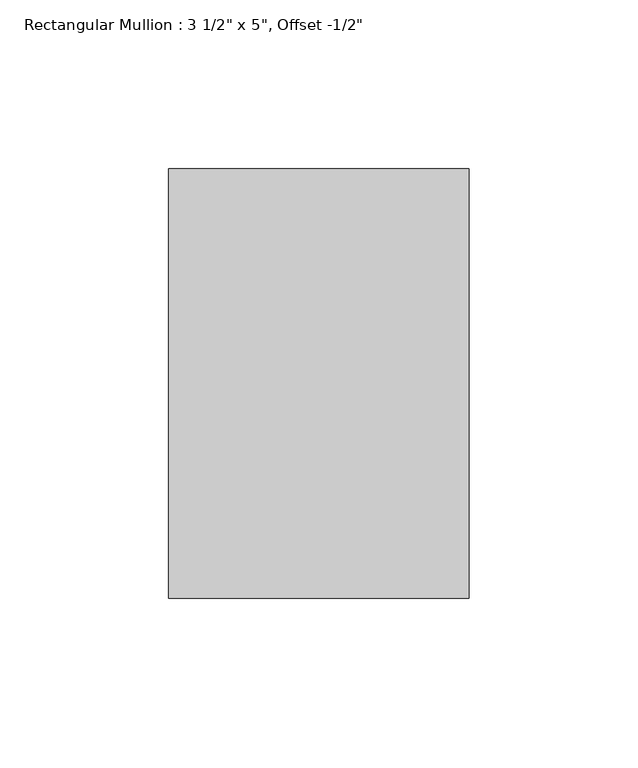
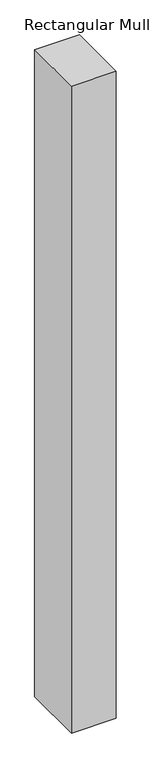
"""IFC4 building model written with IfcOpenShell, lengths in millimetres: member geometry."""

from ifc_helpers import new_model, si_unit, frame, origin, place, context, project, spatial, polyline, outline, extrude, source, transform, mapped, element, save


def member_3d771b3f(model_context):
    return source(origin(), model_context, "Body", "SweptSolid", [
        extrude(outline(polyline([(44.45, 76.2), (44.45, -50.8), (-44.45, -50.8), (-44.45, 76.2), (44.45, 76.2)])), frame((0.0, 0.0, -1362.9386643), z_axis=(0.0, 0.0, 1.0), x_axis=(1.0, 0.0, 0.0)), (0.0, 0.0, 1.0), 1362.9386643),
    ])


if __name__ == "__main__":
    model = new_model("IFC4")
    model_context = context("Model", 3, world=origin())
    ifc_project = project(units=[si_unit("LENGTHUNIT", "METRE", prefix="MILLI")], contexts=[model_context])
    site = spatial("IfcSite", under=ifc_project)
    building = spatial("IfcBuilding", under=site)
    placement = place(None, origin())
    member_shape = member_3d771b3f(model_context)
    element("IfcMember", 1, ObjectType="Rectangular Mullion : 3 1/2\" x 5\", Offset -1/2\"", at=placement, inside=building, context=model_context, shape_type="MappedRepresentation", body=[
        mapped(member_shape, transform((0.0, 0.0, 0.0), x_axis=(1.0, 0.0, 0.0), y_axis=(0.0, 1.0, 0.0), z_axis=(0.0, 0.0, 1.0))),
    ])
    save(model, "model.ifc")
